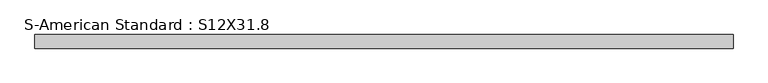
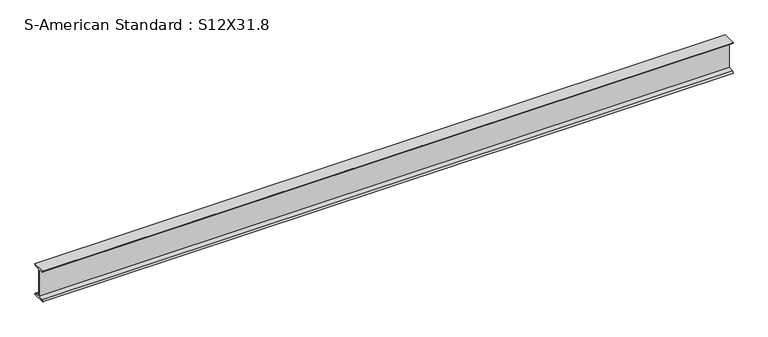
"""IFC4 building model written with IfcOpenShell, lengths in millimetres: beam geometry, S-American Standard : S12X31.8."""

from ifc_helpers import new_model, si_unit, point, frame, frame_2d, origin, place, context, project, spatial, polyline, circle_curve, trimmed, segment, composite_curve, outline, extrude, source, transform, mapped, element, save


def s_american_standard_s12x31_8_b5ecced3(model_context):
    return source(origin(), model_context, "Body", "SweptSolid", [
        extrude(outline(composite_curve([segment(polyline([(-63.5, 152.4), (63.5, 152.4)]), True, "CONTINUOUS"), segment(trimmed(circle_curve(frame_2d((49.7, 152.4)), 13.8), [point((63.5, 152.4))], [point((49.7, 138.6))], False, "CARTESIAN"), True, "CONTINUOUS"), segment(polyline([(49.7, 138.6), (4.45, 131.4331041), (4.45, -131.4331041), (49.7, -138.6)]), True, "CONTINUOUS"), segment(trimmed(circle_curve(frame_2d((49.7, -152.4)), 13.8), [point((49.7, -138.6))], [point((63.5, -152.4))], False, "CARTESIAN"), True, "CONTINUOUS"), segment(polyline([(63.5, -152.4), (-63.5, -152.4)]), True, "CONTINUOUS"), segment(trimmed(circle_curve(frame_2d((-49.7, -152.4)), 13.8), [point((-63.5, -152.4))], [point((-49.7, -138.6))], False, "CARTESIAN"), True, "CONTINUOUS"), segment(polyline([(-49.7, -138.6), (-4.45, -131.4331041), (-4.45, 131.4331041), (-49.7, 138.6)]), True, "CONTINUOUS"), segment(trimmed(circle_curve(frame_2d((-49.7, 152.4)), 13.8), [point((-49.7, 138.6))], [point((-63.5, 152.4))], False, "CARTESIAN"), True, "CONTINUOUS")], self_intersect=False)), frame((-2644.029261, 0.0, 0.0), z_axis=(1.0, 0.0, 0.0), x_axis=(0.0, 1.0, 0.0)), (0.0, 0.0, 1.0), 6519.5288925),
    ])


if __name__ == "__main__":
    model = new_model("IFC4")
    model_context = context("Model", 3, world=origin())
    ifc_project = project(units=[si_unit("LENGTHUNIT", "METRE", prefix="MILLI")], contexts=[model_context])
    site = spatial("IfcSite", under=ifc_project)
    building = spatial("IfcBuilding", under=site)
    placement = place(None, origin())
    s_american_standard_s12x31_8_shape = s_american_standard_s12x31_8_b5ecced3(model_context)
    element("IfcBeam", 1, ObjectType="S-American Standard : S12X31.8", at=placement, inside=building, context=model_context, shape_type="MappedRepresentation", body=[
        mapped(s_american_standard_s12x31_8_shape, transform((0.0, 0.0, 0.0), x_axis=(1.0, 0.0, 0.0), y_axis=(0.0, 1.0, 0.0), z_axis=(0.0, 0.0, 1.0))),
    ])
    save(model, "model.ifc")
